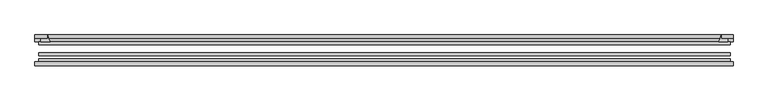
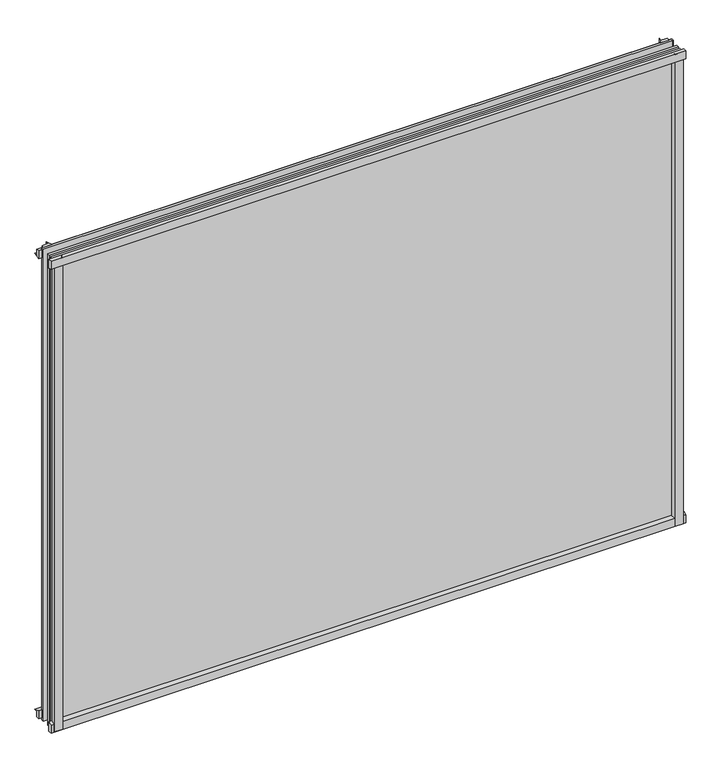
"""IFC4 building model written with IfcOpenShell, lengths in millimetres: plate geometry."""

from ifc_helpers import new_model, si_unit, point, frame, frame_2d, origin, place, context, project, spatial, polyline, circle_curve, trimmed, segment, composite_curve, outline, extrude, source, transform, mapped, element, save


def plate_b0514e65(model_context):
    return source(origin(), model_context, "Body", "SweptSolid", [
        extrude(outline(composite_curve([segment(polyline([(-85.1328625, 855.6813002), (-78.7828625, 855.6813002), (-78.7828625, 839.4311909)]), True, "CONTINUOUS"), segment(trimmed(circle_curve(frame_2d((-85.0581856, 830.3814356)), 11.0126179), [point((-78.7828625, 839.4311909))], [point((-85.1328625, 841.3938002))], True, "CARTESIAN"), True, "CONTINUOUS"), segment(polyline([(-85.1328625, 841.3938002), (-85.1328625, 855.6813002)]), True, "CONTINUOUS")], self_intersect=False)), frame((-554.8312731, 0.0, 0.0), z_axis=(1.0, 0.0, 0.0), x_axis=(0.0, 1.0, 0.0)), (0.0, 0.0, 1.0), 1108.4719212),
        extrude(outline(composite_curve([segment(polyline([(-549.0765856, -78.7828625), (-532.21537, -78.7828625)]), True, "CONTINUOUS"), segment(trimmed(circle_curve(frame_2d((-521.6529665, -86.7604812)), 13.2365693), [point((-532.21537, -78.7828625))], [point((-534.7890856, -85.1328625))], True, "CARTESIAN"), True, "CONTINUOUS"), segment(polyline([(-534.7890856, -85.1328625), (-549.0765856, -85.1328625), (-549.0765856, -78.7828625)]), True, "CONTINUOUS")], self_intersect=False)), frame((0.0, 0.0, -14.2875), z_axis=(0.0, 0.0, 1.0), x_axis=(1.0, 0.0, 0.0)), (0.0, 0.0, 1.0), 869.95),
        extrude(outline(composite_curve([segment(polyline([(549.0765856, -78.7828625), (549.0765856, -85.1328625), (534.7890856, -85.1328625)]), True, "CONTINUOUS"), segment(trimmed(circle_curve(frame_2d((521.6529665, -86.7604812)), 13.2365693), [point((534.7890856, -85.1328625))], [point((532.21537, -78.7828625))], True, "CARTESIAN"), True, "CONTINUOUS"), segment(polyline([(532.21537, -78.7828625), (549.0765856, -78.7828625)]), True, "CONTINUOUS")], self_intersect=False)), frame((0.0, 0.0, -14.2875), z_axis=(0.0, 0.0, 1.0), x_axis=(1.0, 0.0, 0.0)), (0.0, 0.0, 1.0), 869.95),
        extrude(outline(composite_curve([segment(polyline([(-47.1852625, -10.4712201), (-47.1852625, 3.9588469)]), True, "CONTINUOUS"), segment(trimmed(circle_curve(frame_2d((-30.6824422, 32.267054)), 32.7673262), [point((-47.1852625, 3.9588469))], [point((-36.3503395, -0.00635))], True, "CARTESIAN"), True, "CONTINUOUS"), segment(polyline([(-36.3503395, -0.00635), (-42.2830625, -0.00635), (-42.2830625, -10.4712201), (-47.1852625, -10.4712201)]), True, "CONTINUOUS")], self_intersect=False)), frame((-554.8312731, 0.0, 0.0), z_axis=(1.0, 0.0, 0.0), x_axis=(0.0, 1.0, 0.0)), (0.0, 0.0, 1.0), 1108.4719212),
        extrude(outline(composite_curve([segment(polyline([(-78.7828625, -14.2875), (-85.1328625, -14.2875), (-85.1328625, -0.0127)]), True, "CONTINUOUS"), segment(trimmed(circle_curve(frame_2d((-86.7604812, 13.1234191)), 13.2365693), [point((-85.1328625, -0.0127))], [point((-78.7828625, 2.5610156))], True, "CARTESIAN"), True, "CONTINUOUS"), segment(polyline([(-78.7828625, 2.5610156), (-78.7828625, -14.2875)]), True, "CONTINUOUS")], self_intersect=False)), frame((-554.8312731, 0.0, 0.0), z_axis=(1.0, 0.0, 0.0), x_axis=(0.0, 1.0, 0.0)), (0.0, 0.0, 1.0), 1108.4719212),
        extrude(outline(composite_curve([segment(polyline([(-47.1852625, 837.4034531), (-47.1852625, 852.0752564), (-42.2830625, 852.0752564), (-42.2830625, 841.375), (-36.3140625, 841.375)]), True, "CONTINUOUS"), segment(trimmed(circle_curve(frame_2d((-30.6824422, 809.095246)), 32.7673262), [point((-36.3140625, 841.375))], [point((-47.1852625, 837.4034531))], True, "CARTESIAN"), True, "CONTINUOUS")], self_intersect=False)), frame((-554.8312731, 0.0, 0.0), z_axis=(1.0, 0.0, 0.0), x_axis=(0.0, 1.0, 0.0)), (0.0, 0.0, 1.0), 1108.4719212),
        extrude(outline(composite_curve([segment(trimmed(circle_curve(frame_2d((502.5093316, -30.6824422)), 32.7673262), [point((530.8175387, -47.1852625))], [point((534.7890856, -36.3140625))], True, "CARTESIAN"), True, "CONTINUOUS"), segment(polyline([(534.7890856, -36.3140625), (534.7890856, -42.2830625), (545.4894509, -42.2830625), (545.4894509, -47.1852625), (530.8175387, -47.1852625)]), True, "CONTINUOUS")], self_intersect=False)), frame((0.0, 0.0, -14.2875), z_axis=(0.0, 0.0, 1.0), x_axis=(1.0, 0.0, 0.0)), (0.0, 0.0, 1.0), 869.95),
        extrude(outline(composite_curve([segment(polyline([(-530.8175387, -47.1852625), (-545.4842948, -47.1852625), (-545.4842948, -42.2830625), (-534.7890856, -42.2830625), (-534.7890856, -36.3140625)]), True, "CONTINUOUS"), segment(trimmed(circle_curve(frame_2d((-502.5093316, -30.6824422)), 32.7673262), [point((-534.7890856, -36.3140625))], [point((-530.8175387, -47.1852625))], True, "CARTESIAN"), True, "CONTINUOUS")], self_intersect=False)), frame((0.0, 0.0, -14.2875), z_axis=(0.0, 0.0, 1.0), x_axis=(1.0, 0.0, 0.0)), (0.0, 0.0, 1.0), 869.95),
        extrude(outline(polyline([(549.0765856, -64.6604625), (549.0765856, -69.4356625), (-549.0765856, -69.4356625), (-549.0765856, -64.6604625), (549.0765856, -64.6604625)])), frame((0.0, 0.0, -14.2875), z_axis=(0.0, 0.0, 1.0), x_axis=(1.0, 0.0, 0.0)), (0.0, 0.0, 1.0), 869.95),
        extrude(outline(polyline([(-549.0765856, -78.7828625), (-549.0765856, -74.0076625), (549.0765856, -74.0076625), (549.0765856, -78.7828625), (-549.0765856, -78.7828625)])), frame((0.0, 0.0, -14.2875), z_axis=(0.0, 0.0, 1.0), x_axis=(1.0, 0.0, 0.0)), (0.0, 0.0, 1.0), 869.95),
        extrude(outline(polyline([(-549.0765856, -47.1852625), (549.0765856, -47.1852625), (549.0765856, -51.9604625), (-549.0765856, -51.9604625), (-549.0765856, -47.1852625)])), frame((0.0, 0.0, -14.2875), z_axis=(0.0, 0.0, 1.0), x_axis=(1.0, 0.0, 0.0)), (0.0, 0.0, 1.0), 869.95),
    ])


if __name__ == "__main__":
    model = new_model("IFC4")
    model_context = context("Model", 3, world=origin())
    ifc_project = project(units=[si_unit("LENGTHUNIT", "METRE", prefix="MILLI")], contexts=[model_context])
    site = spatial("IfcSite", under=ifc_project)
    building = spatial("IfcBuilding", under=site)
    placement = place(None, origin())
    plate_shape = plate_b0514e65(model_context)
    element("IfcPlate", 1, at=placement, inside=building, context=model_context, shape_type="MappedRepresentation", body=[
        mapped(plate_shape, transform((0.0, 0.0, 0.0), x_axis=(1.0, 0.0, 0.0), y_axis=(0.0, 1.0, 0.0), z_axis=(0.0, 0.0, 1.0))),
    ])
    save(model, "model.ifc")
